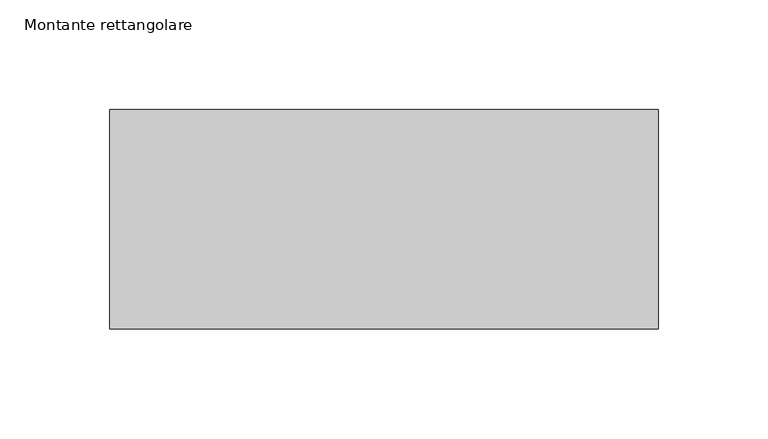
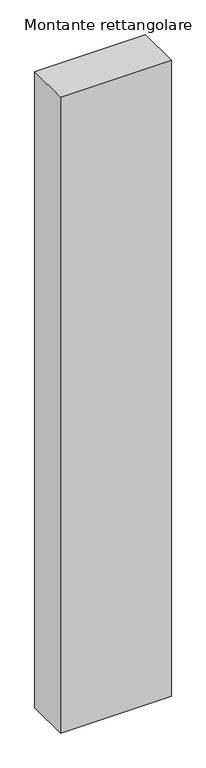
"""IFC4 building model written with IfcOpenShell, lengths in millimetres: member geometry, Montante rettangolare."""

from ifc_helpers import new_model, si_unit, frame, origin, place, context, project, spatial, polyline, outline, extrude, source, transform, mapped, element, save


def montante_rettangolare_928e5b16(model_context):
    return source(origin(), model_context, "Body", "SweptSolid", [
        extrude(outline(polyline([(0.0, 50.0), (0.0, -50.0), (-250.0, -50.0), (-250.0, 50.0), (0.0, 50.0)])), frame((0.0, 0.0, -1514.1528073), z_axis=(0.0, 0.0, 1.0), x_axis=(1.0, 0.0, 0.0)), (0.0, 0.0, 1.0), 1514.1528073),
    ])


if __name__ == "__main__":
    model = new_model("IFC4")
    model_context = context("Model", 3, world=origin())
    ifc_project = project(units=[si_unit("LENGTHUNIT", "METRE", prefix="MILLI")], contexts=[model_context])
    site = spatial("IfcSite", under=ifc_project)
    building = spatial("IfcBuilding", under=site)
    placement = place(None, origin())
    montante_rettangolare_shape = montante_rettangolare_928e5b16(model_context)
    element("IfcMember", 1, ObjectType="Montante rettangolare", at=placement, inside=building, context=model_context, shape_type="MappedRepresentation", body=[
        mapped(montante_rettangolare_shape, transform((0.0, 0.0, 0.0), x_axis=(1.0, 0.0, 0.0), y_axis=(0.0, 1.0, 0.0), z_axis=(0.0, 0.0, 1.0))),
    ])
    save(model, "model.ifc")
